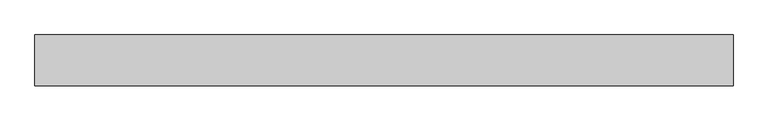
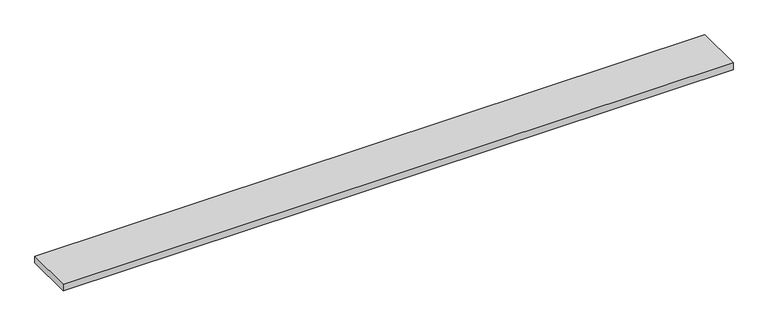
"""IFC4 building model written with IfcOpenShell, lengths in millimetres: furniture geometry."""

from ifc_helpers import new_model, si_unit, frame, origin, place, context, project, spatial, polyline, outline, extrude, source, transform, mapped, element, save


def furniture_7edc56d6(model_context):
    return source(origin(), model_context, "Body", "SweptSolid", [
        extrude(outline(polyline([(858.41205, 38.735), (858.41205, -50.165), (-360.78795, -50.165), (-360.78795, 38.735), (858.41205, 38.735)])), frame((0.0, 0.0, 762.0), z_axis=(0.0, 0.0, 1.0), x_axis=(1.0, 0.0, 0.0)), (0.0, 0.0, 1.0), 12.7),
    ])


if __name__ == "__main__":
    model = new_model("IFC4")
    model_context = context("Model", 3, world=origin())
    ifc_project = project(units=[si_unit("LENGTHUNIT", "METRE", prefix="MILLI")], contexts=[model_context])
    site = spatial("IfcSite", under=ifc_project)
    building = spatial("IfcBuilding", under=site)
    placement = place(None, origin())
    furniture_shape = furniture_7edc56d6(model_context)
    element("IfcFurniture", 1, at=placement, inside=building, context=model_context, shape_type="MappedRepresentation", body=[
        mapped(furniture_shape, transform((0.0, 0.0, 0.0), x_axis=(1.0, 0.0, 0.0), y_axis=(0.0, 1.0, 0.0), z_axis=(0.0, 0.0, 1.0))),
    ])
    save(model, "model.ifc")
